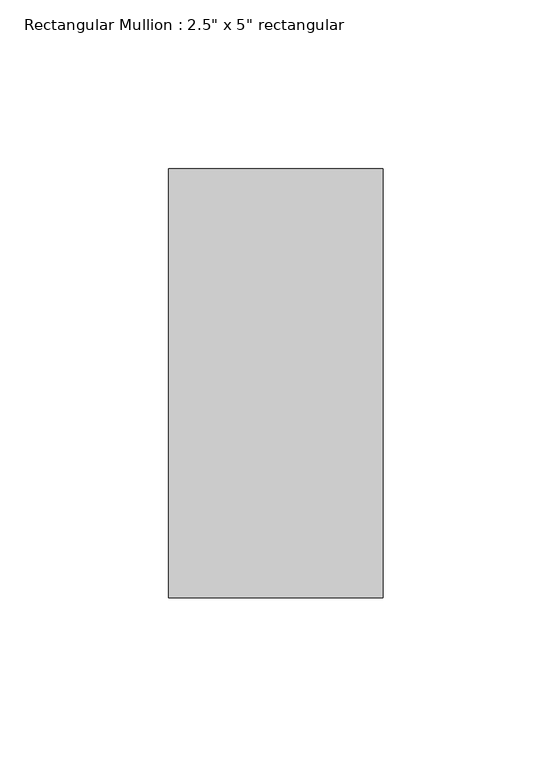
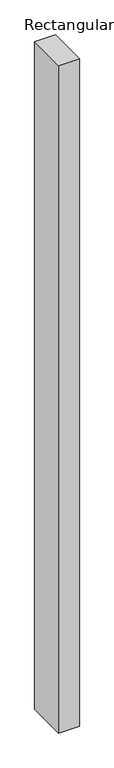
"""IFC4 building model written with IfcOpenShell, lengths in millimetres: member geometry."""

import ifcopenshell
import ifcopenshell.guid

model = None  # the IFC model being written
_history = None  # IfcOwnerHistory: only IFC2X3 demands one
_inside = {}  # id of a spatial element -> (the spatial element, [elements in it])
_under = {}  # id of a project, library or spatial element -> (it, [spatial elements below it])
_declared = {}  # id of a project -> (the project, [libraries it declares])
_typed = {}  # id of a type object -> (the type object, [elements of that type])
_made_of = {}  # id of a material, layer set ... -> (it, [elements and type objects made of it])


def new_model(schema):
    """Start an empty IFC model of exactly this schema.

    Asked for "IFC4X3", IfcOpenShell would pick the latest addendum, in which some entities
    have other attributes; the version numbers below select the first issue.
    IFC2X3 requires an IfcOwnerHistory on every rooted entity: one is made here for all.
    """
    global model, _history
    if schema == "IFC4X3":
        model = ifcopenshell.file(schema_version=(4, 3, 0, 0))
    else:
        model = ifcopenshell.file(schema=schema)
    _inside.clear()
    _under.clear()
    _declared.clear()
    _typed.clear()
    _made_of.clear()
    _history = None
    if model.schema == "IFC2X3":
        org = make("IfcOrganization", Name="unknown")
        user = make(
            "IfcPersonAndOrganization",
            ThePerson=make("IfcPerson", FamilyName="unknown"),
            TheOrganization=org,
        )
        app = make(
            "IfcApplication",
            ApplicationDeveloper=org,
            Version="unknown",
            ApplicationFullName="unknown",
            ApplicationIdentifier="unknown",
        )
        _history = make(
            "IfcOwnerHistory",
            OwningUser=user,
            OwningApplication=app,
            ChangeAction="ADDED",
            CreationDate=0,
        )
    return model


def make(cls, **values):
    """One entity of the class cls with the attributes given. An attribute that is None is left unset."""
    return model.create_entity(
        cls, **{name: value for name, value in values.items() if value is not None}
    )


def rooted(cls, **values):
    """An entity with a GlobalId (a new one), such as an element, a storey or a relation."""
    return make(cls, GlobalId=ifcopenshell.guid.new(), OwnerHistory=_history, **values)


def si_unit(unit_type, name, prefix=None):
    """IfcSIUnit, for example si_unit("LENGTHUNIT", "METRE", prefix="MILLI")."""
    return make("IfcSIUnit", UnitType=unit_type, Prefix=prefix, Name=name)


def assignment(units):
    """IfcUnitAssignment: the units of a project."""
    return None if units is None else make("IfcUnitAssignment", Units=units)


def point(xyz):
    """IfcCartesianPoint."""
    return None if xyz is None else make("IfcCartesianPoint", Coordinates=xyz)


def direction(xyz):
    """IfcDirection."""
    return None if xyz is None else make("IfcDirection", DirectionRatios=xyz)


def frame(location, z_axis=None, x_axis=None):
    """IfcAxis2Placement3D, a coordinate frame: its origin and axes. An axis left out is left unset."""
    return make(
        "IfcAxis2Placement3D",
        Location=point(location),
        Axis=direction(z_axis),
        RefDirection=direction(x_axis),
    )


def origin():
    """The frame at (0, 0, 0) with its axes left unset."""
    return frame((0.0, 0.0, 0.0))


def place(relative_to, where):
    """IfcLocalPlacement: puts the frame where relative to a parent placement (None: the world)."""
    return make(
        "IfcLocalPlacement", PlacementRelTo=relative_to, RelativePlacement=where
    )


def context(
    kind, dimensions, precision=None, world=None, true_north=None, identifier=None
):
    """IfcGeometricRepresentationContext, for example the 3D "Model" context."""
    return make(
        "IfcGeometricRepresentationContext",
        ContextIdentifier=identifier,
        ContextType=kind,
        CoordinateSpaceDimension=dimensions,
        Precision=precision,
        WorldCoordinateSystem=world,
        TrueNorth=true_north,
    )


def project(units=None, contexts=None):
    """IfcProject with its units and contexts."""
    return rooted(
        "IfcProject",
        Name="project",
        RepresentationContexts=contexts,
        UnitsInContext=assignment(units),
    )


def spatial(cls, under=None, at=None, **own):
    """A site, building, storey or space (cls), placed at a placement, below another one or the project."""
    s = rooted(cls, ObjectPlacement=at, **own)
    if under is not None:
        _under.setdefault(under.id(), (under, []))[1].append(s)
    return s


def polyline(points):
    """IfcPolyline through the points."""
    return make("IfcPolyline", Points=[point(p) for p in points])


def outline(outer, holes=None, kind="AREA"):
    """IfcArbitraryClosedProfileDef: a profile drawn as a closed curve; with holes, ...WithVoids."""
    if holes is None:
        return make("IfcArbitraryClosedProfileDef", ProfileType=kind, OuterCurve=outer)
    return make(
        "IfcArbitraryProfileDefWithVoids",
        ProfileType=kind,
        OuterCurve=outer,
        InnerCurves=holes,
    )


def extrude(swept, where, along, depth):
    """IfcExtrudedAreaSolid: the profile swept, set in the frame where, extruded along a direction by depth."""
    return make(
        "IfcExtrudedAreaSolid",
        SweptArea=swept,
        Position=where,
        ExtrudedDirection=direction(along),
        Depth=depth,
    )


def shape(context_of_items, identifier, shape_type, items):
    """IfcShapeRepresentation: the items that make up one representation, for example the "Body"."""
    return make(
        "IfcShapeRepresentation",
        ContextOfItems=context_of_items,
        RepresentationIdentifier=identifier,
        RepresentationType=shape_type,
        Items=items,
    )


def source(mapping_origin, context_of_items, identifier, shape_type, items):
    """IfcRepresentationMap: a shape defined once, which mapped items show again and again."""
    return make(
        "IfcRepresentationMap",
        MappingOrigin=mapping_origin,
        MappedRepresentation=shape(context_of_items, identifier, shape_type, items),
    )


def transform(
    local_origin,
    x_axis=None,
    y_axis=None,
    z_axis=None,
    scale=None,
    scale2=None,
    scale3=None,
    uniform=True,
):
    """IfcCartesianTransformationOperator3D, or its non-uniform kind. x_axis, y_axis, z_axis: its Axis1, 2, 3."""
    if uniform:
        return make(
            "IfcCartesianTransformationOperator3D",
            Axis1=direction(x_axis),
            Axis2=direction(y_axis),
            LocalOrigin=point(local_origin),
            Scale=scale,
            Axis3=direction(z_axis),
        )
    return make(
        "IfcCartesianTransformationOperator3DnonUniform",
        Axis1=direction(x_axis),
        Axis2=direction(y_axis),
        LocalOrigin=point(local_origin),
        Scale=scale,
        Axis3=direction(z_axis),
        Scale2=scale2,
        Scale3=scale3,
    )


def mapped(mapping_source, mapping_target):
    """IfcMappedItem: shows the shape of a source again, moved by a transform."""
    return make(
        "IfcMappedItem", MappingSource=mapping_source, MappingTarget=mapping_target
    )


def made_of(thing, what):
    """Note that an element or type object is made of a material, layer set ...; save() writes the relation."""
    if what is not None:
        _made_of.setdefault(what.id(), (what, []))[1].append(thing)
    return thing


def element(
    cls,
    number,
    at=None,
    inside=None,
    cuts=None,
    type_object=None,
    material=None,
    context=None,
    identifier="Body",
    shape_type=None,
    held_by="IfcProductDefinitionShape",
    body=None,
    shapes=None,
    **own,
):
    """One element of the class cls, such as IfcWall. Its Tag is "e" and its number.

    at: its placement. inside: the storey or other place that contains it. cuts: it is an
    opening in that element (IfcRelVoidsElement). A single representation is given by context,
    identifier, shape_type and body (its items); several are given by shapes. held_by: the class
    of the entity that holds the representations. save() writes the other relations.
    """
    e = rooted(cls, Tag="e%d" % number, ObjectPlacement=at, **own)
    if body is not None:
        shapes = [shape(context, identifier, shape_type, body)]
    if shapes is not None:
        e.Representation = make(held_by, Representations=shapes)
    if inside is not None:
        _inside.setdefault(inside.id(), (inside, []))[1].append(e)
    if cuts is not None:
        rooted(
            "IfcRelVoidsElement", RelatingBuildingElement=cuts, RelatedOpeningElement=e
        )
    if type_object is not None:
        _typed.setdefault(type_object.id(), (type_object, []))[1].append(e)
    return made_of(e, material)


def aggregate(whole, parts):
    """IfcRelAggregates: a whole, such as a stair, and the parts it consists of."""
    return rooted("IfcRelAggregates", RelatingObject=whole, RelatedObjects=parts)


def save(model, path):
    """Write the relations noted so far, then the file.

    IfcRelAggregates (storeys below a building ...), IfcRelContainedInSpatialStructure (elements
    in a storey), IfcRelDefinesByType, IfcRelAssociatesMaterial and IfcRelDeclares: one each for
    every whole, place, type object, material and project.
    """
    for whole, parts in _under.values():
        aggregate(whole, parts)
    for where, things in _inside.values():
        rooted(
            "IfcRelContainedInSpatialStructure",
            RelatedElements=things,
            RelatingStructure=where,
        )
    for kind, things in _typed.values():
        rooted("IfcRelDefinesByType", RelatedObjects=things, RelatingType=kind)
    for what, things in _made_of.values():
        rooted("IfcRelAssociatesMaterial", RelatedObjects=things, RelatingMaterial=what)
    for by, libraries in _declared.values():
        rooted("IfcRelDeclares", RelatingContext=by, RelatedDefinitions=libraries)
    model.write(path)


def member_a50b3cda(model_context):
    return source(origin(), model_context, "Body", "SweptSolid", [
        extrude(outline(polyline([(0.0, 63.5), (0.0, -63.5), (-63.5, -63.5), (-63.5, 63.5), (0.0, 63.5)])), frame((0.0, 0.0, -2165.35), z_axis=(0.0, 0.0, 1.0), x_axis=(1.0, 0.0, 0.0)), (0.0, 0.0, 1.0), 2165.35),
    ])


if __name__ == "__main__":
    model = new_model("IFC4")
    model_context = context("Model", 3, world=origin())
    ifc_project = project(units=[si_unit("LENGTHUNIT", "METRE", prefix="MILLI")], contexts=[model_context])
    site = spatial("IfcSite", under=ifc_project)
    building = spatial("IfcBuilding", under=site)
    placement = place(None, origin())
    member_shape = member_a50b3cda(model_context)
    element("IfcMember", 1, ObjectType="Rectangular Mullion : 2.5\" x 5\" rectangular", at=placement, inside=building, context=model_context, shape_type="MappedRepresentation", body=[
        mapped(member_shape, transform((0.0, 0.0, 0.0), x_axis=(1.0, 0.0, 0.0), y_axis=(0.0, 1.0, 0.0), z_axis=(0.0, 0.0, 1.0))),
    ])
    save(model, "model.ifc")
